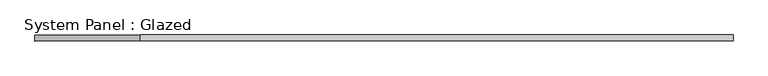
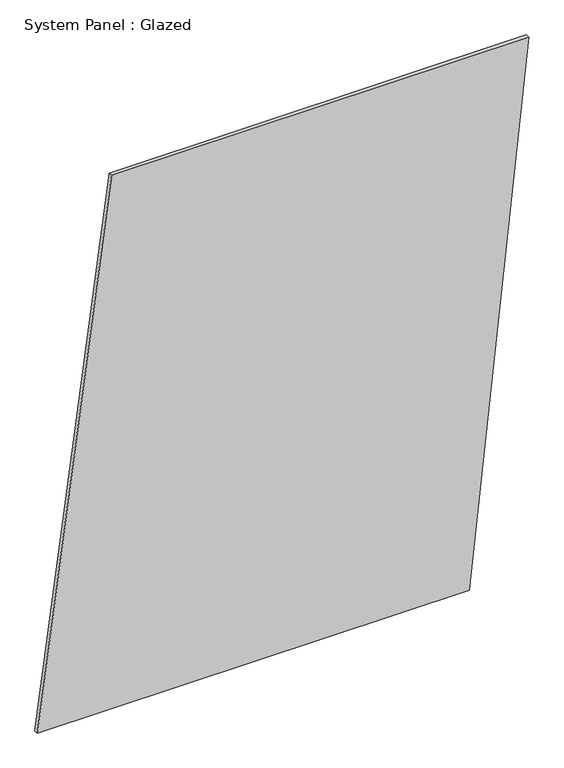
"""IFC4 building model written with IfcOpenShell, lengths in millimetres: plate geometry, System Panel : Glazed."""

from ifc_helpers import new_model, si_unit, frame, origin, place, context, project, spatial, polyline, outline, extrude, source, transform, mapped, element, save


def system_panel_glazed_df90444e(model_context):
    return source(origin(), model_context, "Body", "SweptSolid", [
        extrude(outline(polyline([(0.0, -1456.4746809), (0.0, 1104.6951054), (3340.8312383, 1456.4746809), (3340.8312383, -1016.7502115), (0.0, -1456.4746809)])), frame((0.0, -49.5, 0.0), z_axis=(0.0, 1.0, 0.0), x_axis=(0.0, 0.0, 1.0)), (0.0, 0.0, 1.0), 25.0),
    ])


if __name__ == "__main__":
    model = new_model("IFC4")
    model_context = context("Model", 3, world=origin())
    ifc_project = project(units=[si_unit("LENGTHUNIT", "METRE", prefix="MILLI")], contexts=[model_context])
    site = spatial("IfcSite", under=ifc_project)
    building = spatial("IfcBuilding", under=site)
    placement = place(None, origin())
    system_panel_glazed_shape = system_panel_glazed_df90444e(model_context)
    element("IfcPlate", 1, ObjectType="System Panel : Glazed", at=placement, inside=building, context=model_context, shape_type="MappedRepresentation", body=[
        mapped(system_panel_glazed_shape, transform((0.0, 0.0, 0.0), x_axis=(1.0, 0.0, 0.0), y_axis=(0.0, 1.0, 0.0), z_axis=(0.0, 0.0, 1.0))),
    ])
    save(model, "model.ifc")
